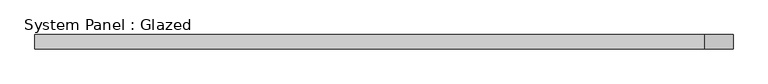
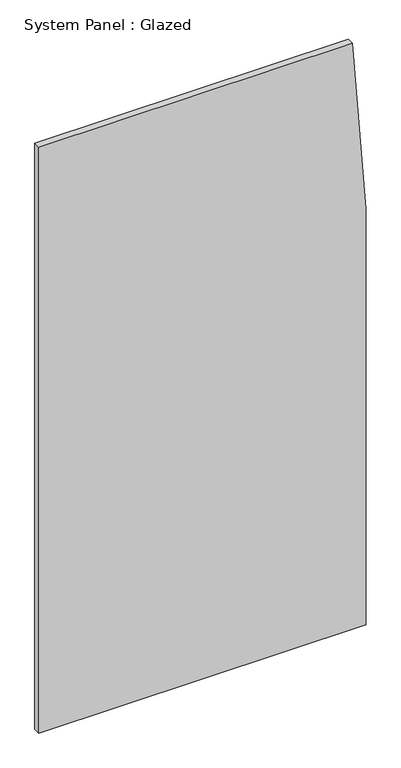
"""IFC4 building model written with IfcOpenShell, lengths in millimetres: plate geometry, System Panel : Glazed."""

from ifc_helpers import new_model, si_unit, point, frame, frame_2d, origin, place, context, project, spatial, polyline, circle_curve, trimmed, segment, composite_curve, outline, extrude, source, transform, mapped, element, save


def system_panel_glazed_55cbe3d5(model_context):
    return source(origin(), model_context, "Body", "SweptSolid", [
        extrude(outline(composite_curve([segment(polyline([(0.0, -619.125), (0.0, 619.125), (1663.7, 619.125)]), True, "CONTINUOUS"), segment(trimmed(circle_curve(frame_2d((1663.7, -3889.375)), 4508.5), [point((1663.7, 619.125))], [point((2343.15, 567.6329591))], False, "CARTESIAN"), True, "CONTINUOUS"), segment(polyline([(2343.15, 567.6329591), (2343.15, -619.125), (0.0, -619.125)]), True, "CONTINUOUS")], self_intersect=False)), frame((0.0, 19.05, 0.0), z_axis=(0.0, 1.0, 0.0), x_axis=(0.0, 0.0, 1.0)), (0.0, 0.0, 1.0), 25.4),
    ])


if __name__ == "__main__":
    model = new_model("IFC4")
    model_context = context("Model", 3, world=origin())
    ifc_project = project(units=[si_unit("LENGTHUNIT", "METRE", prefix="MILLI")], contexts=[model_context])
    site = spatial("IfcSite", under=ifc_project)
    building = spatial("IfcBuilding", under=site)
    placement = place(None, origin())
    system_panel_glazed_shape = system_panel_glazed_55cbe3d5(model_context)
    element("IfcPlate", 1, ObjectType="System Panel : Glazed", at=placement, inside=building, context=model_context, shape_type="MappedRepresentation", body=[
        mapped(system_panel_glazed_shape, transform((0.0, 0.0, 0.0), x_axis=(1.0, 0.0, 0.0), y_axis=(0.0, 1.0, 0.0), z_axis=(0.0, 0.0, 1.0))),
    ])
    save(model, "model.ifc")
